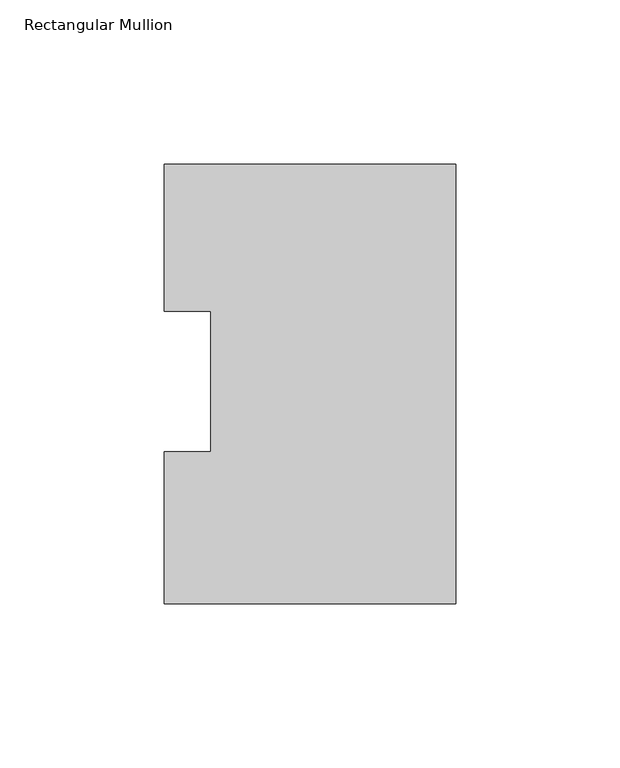
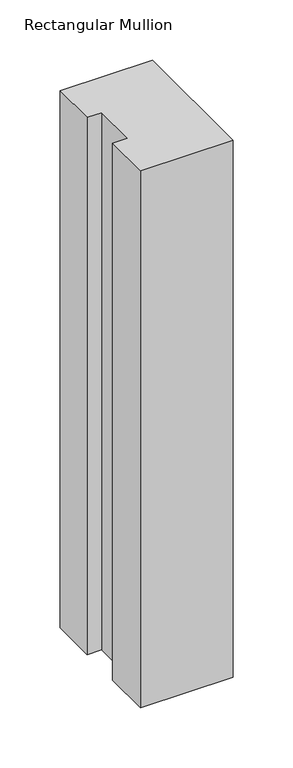
"""IFC4 building model written with IfcOpenShell, lengths in millimetres: member geometry, Rectangular Mullion."""

from ifc_helpers import new_model, si_unit, frame, origin, place, context, project, spatial, polyline, outline, extrude, source, transform, mapped, element, save


def rectangular_mullion_78f1d6ec(model_context):
    return source(origin(), model_context, "Body", "SweptSolid", [
        extrude(outline(polyline([(0.0, 130.0368875), (0.0, -3.9735125), (-88.9, -3.9735125), (-88.9, 42.2798875), (-74.6252, 42.2798875), (-74.6252, 85.1296875), (-88.9, 85.1296875), (-88.9, 130.0368875), (0.0, 130.0368875)])), frame((0.0, 0.0, -546.1), z_axis=(0.0, 0.0, 1.0), x_axis=(1.0, 0.0, 0.0)), (0.0, 0.0, 1.0), 546.1),
    ])


if __name__ == "__main__":
    model = new_model("IFC4")
    model_context = context("Model", 3, world=origin())
    ifc_project = project(units=[si_unit("LENGTHUNIT", "METRE", prefix="MILLI")], contexts=[model_context])
    site = spatial("IfcSite", under=ifc_project)
    building = spatial("IfcBuilding", under=site)
    placement = place(None, origin())
    rectangular_mullion_shape = rectangular_mullion_78f1d6ec(model_context)
    element("IfcMember", 1, ObjectType="Rectangular Mullion", at=placement, inside=building, context=model_context, shape_type="MappedRepresentation", body=[
        mapped(rectangular_mullion_shape, transform((0.0, 0.0, 0.0), x_axis=(1.0, 0.0, 0.0), y_axis=(0.0, 1.0, 0.0), z_axis=(0.0, 0.0, 1.0))),
    ])
    save(model, "model.ifc")
